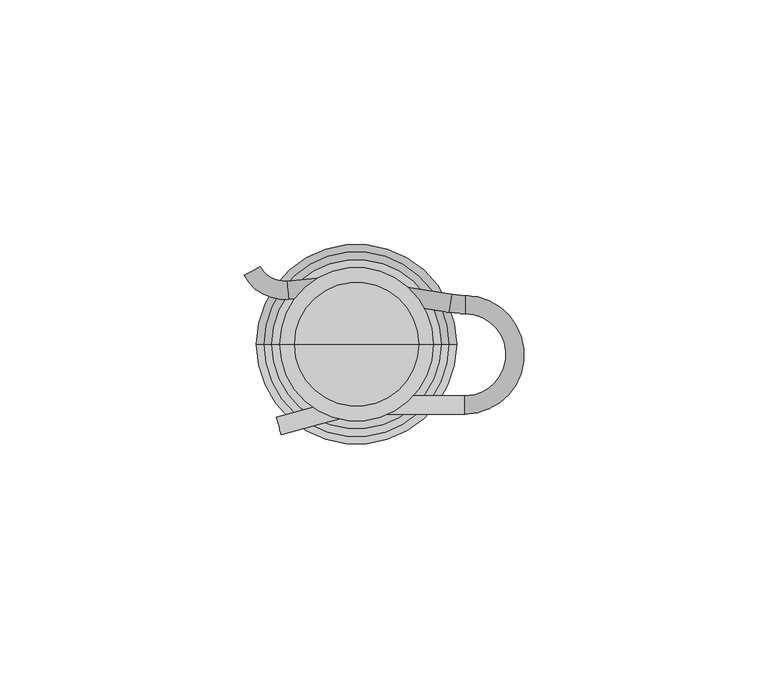
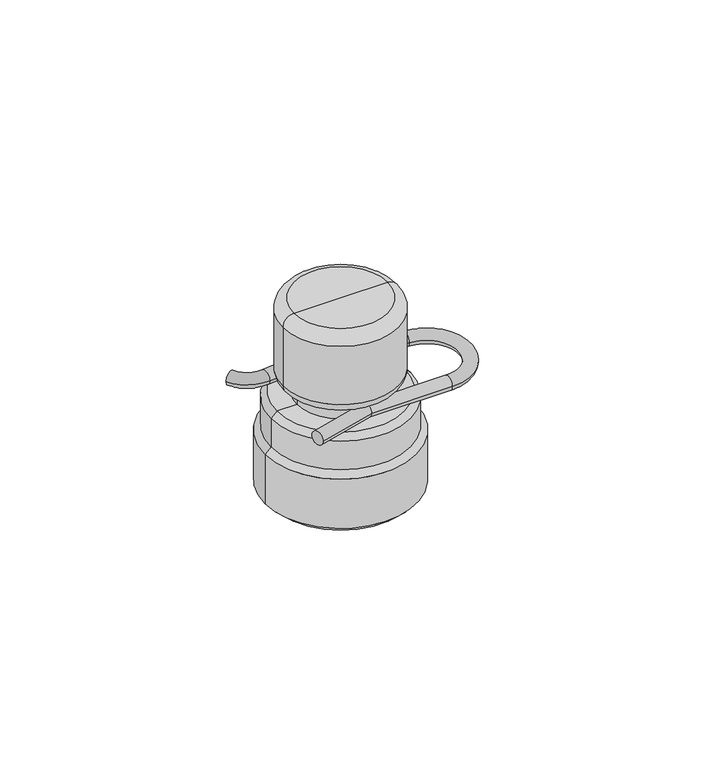
"""IFC4 building model written with IfcOpenShell, lengths in millimetres: proxy geometry."""

from ifc_helpers import new_model, si_unit, point, frame, origin, place, context, project, spatial, polyline, circle_curve, ellipse_curve, trimmed, source, transform, mapped, element, save
from ifc_brep_helpers import plane_surface, cylinder_surface, revolved_surface, advanced_brep


def specialty_equipment_4c19c3fd(model_context):
    return source(origin(), model_context, "Body", "AdvancedBrep", [
        advanced_brep(
        [(11.821039, 0.0, 19.7812336), (-11.821039, 0.0, 19.7812336), (-12.7015643, 0.0, 19.7812336), (12.7015643, 0.0, 19.7812336), (11.821039, 0.0, 37.406056), (-11.821039, 0.0, 37.406056), (0.0, 0.0, 37.406056), (12.7015643, 0.0, 42.5343499), (-12.7015643, 0.0, 42.5343499), (0.0, 0.0, 42.5343499), (15.7015643, 0.0, 39.5343499), (-15.7015643, 0.0, 39.5343499), (15.7015643, 0.0, 22.7812336), (-15.7015643, 0.0, 22.7812336)],
        [
            (0, 1, circle_curve(frame((0.0, 0.0, 19.7812336), z_axis=(0.0, 0.0, 1.0), x_axis=(-1.0, 0.0, 0.0)), 11.821039)),
            (1, 2),
            (2, 3, circle_curve(frame((0.0, 0.0, 19.7812336), z_axis=(0.0, 0.0, -1.0), x_axis=(-1.0, 0.0, 0.0)), 12.7015643)),
            (3, 0),
            (1, 0, circle_curve(frame((0.0, 0.0, 19.7812336), z_axis=(0.0, 0.0, 1.0), x_axis=(-1.0, 0.0, 0.0)), 11.821039)),
            (3, 2, circle_curve(frame((0.0, 0.0, 19.7812336), z_axis=(0.0, 0.0, -1.0), x_axis=(-1.0, 0.0, 0.0)), 12.7015643)),
            (4, 5, circle_curve(frame((0.0, 0.0, 37.406056), z_axis=(0.0, 0.0, 1.0), x_axis=(-1.0, 0.0, 0.0)), 11.821039)),
            (5, 1),
            (0, 4),
            (5, 4, circle_curve(frame((0.0, 0.0, 37.406056), z_axis=(0.0, 0.0, 1.0), x_axis=(-1.0, 0.0, 0.0)), 11.821039)),
            (6, 5),
            (4, 6),
            (7, 8, circle_curve(frame((0.0, 0.0, 42.5343499), z_axis=(0.0, 0.0, 1.0), x_axis=(-1.0, 0.0, 0.0)), 12.7015643)),
            (8, 9),
            (9, 7),
            (8, 7, circle_curve(frame((0.0, 0.0, 42.5343499), z_axis=(0.0, 0.0, 1.0), x_axis=(-1.0, 0.0, 0.0)), 12.7015643)),
            (10, 11, circle_curve(frame((0.0, 0.0, 39.5343499), z_axis=(0.0, 0.0, 1.0), x_axis=(-1.0, 0.0, 0.0)), 15.7015643)),
            (11, 8, circle_curve(frame((-12.7015643, 0.0, 39.5343499), z_axis=(0.0, 1.0, 0.0), x_axis=(1.0, 0.0, 0.0)), 3.0)),
            (7, 10, circle_curve(frame((12.7015643, 0.0, 39.5343499), z_axis=(0.0, 1.0, 0.0), x_axis=(-1.0, 0.0, 0.0)), 3.0)),
            (11, 10, circle_curve(frame((0.0, 0.0, 39.5343499), z_axis=(0.0, 0.0, 1.0), x_axis=(-1.0, 0.0, 0.0)), 15.7015643)),
            (12, 13, circle_curve(frame((0.0, 0.0, 22.7812336), z_axis=(0.0, 0.0, 1.0), x_axis=(-1.0, 0.0, 0.0)), 15.7015643)),
            (13, 11),
            (10, 12),
            (13, 12, circle_curve(frame((0.0, 0.0, 22.7812336), z_axis=(0.0, 0.0, 1.0), x_axis=(-1.0, 0.0, 0.0)), 15.7015643)),
            (2, 13, circle_curve(frame((-12.7015643, 0.0, 22.7812336), z_axis=(0.0, 1.0, 0.0), x_axis=(1.0, 0.0, 0.0)), 3.0)),
            (12, 3, circle_curve(frame((12.7015643, 0.0, 22.7812336), z_axis=(0.0, 1.0, 0.0), x_axis=(-1.0, 0.0, 0.0)), 3.0)),
        ],
        [
            plane_surface(frame((0.0, 0.0, 19.7812336), z_axis=(0.0, 0.0, -1.0), x_axis=(-1.0, 0.0, 0.0))),
            revolved_surface(polyline([(-11.821039, 0.0, 19.781233600000178), (-11.821039, 0.0, 37.40605599999981)]), (0.0, 0.0, 2611.7008137), (0.0, 0.0, -1.0)),
            plane_surface(frame((0.0, 0.0, 37.406056), z_axis=(0.0, 0.0, -1.0), x_axis=(-1.0, 0.0, 0.0))),
            plane_surface(frame((0.0, 0.0, 42.5343499), z_axis=(0.0, 0.0, 1.0), x_axis=(-1.0, 0.0, 0.0))),
            revolved_surface(trimmed(ellipse_curve(frame((-12.7015643, 0.0, 39.5343499), z_axis=(0.0, -1.0, 0.0), x_axis=(1.0, 0.0, 0.0)), 3.0, 3.0), [point((-12.7015643, 0.0, 42.5343499))], [point((-15.7015643, 0.0, 39.5343499))], True, "CARTESIAN"), (0.0, 0.0, 2611.7008137), (0.0, 0.0, -1.0)),
            cylinder_surface(frame((0.0, 0.0, 2611.7008137), z_axis=(0.0, 0.0, -1.0), x_axis=(-1.0, 0.0, 0.0)), 15.7015643),
            revolved_surface(trimmed(ellipse_curve(frame((-12.7015643, 0.0, 22.7812336), z_axis=(0.0, -1.0, 0.0), x_axis=(1.0, 0.0, 0.0)), 3.0, 3.0), [point((-15.7015643, 0.0, 22.7812336))], [point((-12.7015643, 0.0, 19.7812336))], True, "CARTESIAN"), (0.0, 0.0, 2611.7008137), (0.0, 0.0, -1.0)),
        ],
        [
            (0, [[1, 2, 3, 4]]),
            (0, [[5, -4, 6, -2]]),
            (1, [[7, 8, -1, 9]]),
            (1, [[10, -9, -5, -8]]),
            (2, [[11, -7, 12]]),
            (2, [[-12, -10, -11]]),
            (3, [[13, 14, 15]]),
            (3, [[16, -15, -14]]),
            (4, [[17, 18, -13, 19]]),
            (4, [[20, -19, -16, -18]]),
            (5, [[21, 22, -17, 23]]),
            (5, [[24, -23, -20, -22]]),
            (6, [[-3, 25, -21, 26]]),
            (6, [[-6, -26, -24, -25]]),
        ],
    ),
        advanced_brep(
        [(16.3929392, 0.0, -11.0), (-16.3929392, 0.0, -11.0), (-18.914251, 0.0, -11.0), (18.914251, 0.0, -11.0), (16.3929392, 0.0, 0.0), (-16.3929392, 0.0, 0.0), (0.0, 0.0, 0.0), (11.821039, 0.0, 37.406056), (-11.821039, 0.0, 37.406056), (0.0, 0.0, 37.406056), (11.821039, 0.0, 16.0676423), (-11.821039, 0.0, 16.0676423), (17.3315542, 0.0, 16.0676423), (-17.3315542, 0.0, 16.0676423), (18.9142509, 0.0, 14.4849455), (-18.9142509, 0.0, 14.4849455), (18.9142509, 0.0, 6.32206), (-18.9142509, 0.0, 6.32206), (20.497058, 0.0, 4.7392529), (-20.497058, 0.0, 4.7392529), (20.497058, 0.0, -9.417193), (-20.497058, 0.0, -9.417193)],
        [
            (0, 1, circle_curve(frame((0.0, 0.0, -11.0), z_axis=(0.0, 0.0, 1.0), x_axis=(-1.0, 0.0, 0.0)), 16.3929392)),
            (1, 2),
            (2, 3, circle_curve(frame((0.0, 0.0, -11.0), z_axis=(0.0, 0.0, -1.0), x_axis=(-1.0, 0.0, 0.0)), 18.914251)),
            (3, 0),
            (1, 0, circle_curve(frame((0.0, 0.0, -11.0), z_axis=(0.0, 0.0, 1.0), x_axis=(-1.0, 0.0, 0.0)), 16.3929392)),
            (3, 2, circle_curve(frame((0.0, 0.0, -11.0), z_axis=(0.0, 0.0, -1.0), x_axis=(-1.0, 0.0, 0.0)), 18.914251)),
            (4, 5, circle_curve(frame((0.0, 0.0, 0.0), z_axis=(0.0, 0.0, 1.0), x_axis=(-1.0, 0.0, 0.0)), 16.3929392)),
            (5, 1),
            (0, 4),
            (5, 4, circle_curve(frame((0.0, 0.0, 0.0), z_axis=(0.0, 0.0, 1.0), x_axis=(-1.0, 0.0, 0.0)), 16.3929392)),
            (6, 5),
            (4, 6),
            (7, 8, circle_curve(frame((0.0, 0.0, 37.406056), z_axis=(0.0, 0.0, 1.0), x_axis=(-1.0, 0.0, 0.0)), 11.821039)),
            (8, 9),
            (9, 7),
            (8, 7, circle_curve(frame((0.0, 0.0, 37.406056), z_axis=(0.0, 0.0, 1.0), x_axis=(-1.0, 0.0, 0.0)), 11.821039)),
            (10, 11, circle_curve(frame((0.0, 0.0, 16.0676423), z_axis=(0.0, 0.0, 1.0), x_axis=(-1.0, 0.0, 0.0)), 11.821039)),
            (11, 8),
            (7, 10),
            (11, 10, circle_curve(frame((0.0, 0.0, 16.0676423), z_axis=(0.0, 0.0, 1.0), x_axis=(-1.0, 0.0, 0.0)), 11.821039)),
            (12, 13, circle_curve(frame((0.0, 0.0, 16.0676423), z_axis=(0.0, 0.0, 1.0), x_axis=(-1.0, 0.0, 0.0)), 17.3315542)),
            (13, 11),
            (10, 12),
            (13, 12, circle_curve(frame((0.0, 0.0, 16.0676423), z_axis=(0.0, 0.0, 1.0), x_axis=(-1.0, 0.0, 0.0)), 17.3315542)),
            (14, 15, circle_curve(frame((0.0, 0.0, 14.4849455), z_axis=(0.0, 0.0, 1.0), x_axis=(-1.0, 0.0, 0.0)), 18.9142509)),
            (15, 13),
            (12, 14),
            (15, 14, circle_curve(frame((0.0, 0.0, 14.4849455), z_axis=(0.0, 0.0, 1.0), x_axis=(-1.0, 0.0, 0.0)), 18.9142509)),
            (16, 17, circle_curve(frame((0.0, 0.0, 6.32206), z_axis=(0.0, 0.0, 1.0), x_axis=(-1.0, 0.0, 0.0)), 18.9142509)),
            (17, 15),
            (14, 16),
            (17, 16, circle_curve(frame((0.0, 0.0, 6.32206), z_axis=(0.0, 0.0, 1.0), x_axis=(-1.0, 0.0, 0.0)), 18.9142509)),
            (18, 19, circle_curve(frame((0.0, 0.0, 4.7392529), z_axis=(0.0, 0.0, 1.0), x_axis=(-1.0, 0.0, 0.0)), 20.497058)),
            (19, 17),
            (16, 18),
            (19, 18, circle_curve(frame((0.0, 0.0, 4.7392529), z_axis=(0.0, 0.0, 1.0), x_axis=(-1.0, 0.0, 0.0)), 20.497058)),
            (20, 21, circle_curve(frame((0.0, 0.0, -9.417193), z_axis=(0.0, 0.0, 1.0), x_axis=(-1.0, 0.0, 0.0)), 20.497058)),
            (21, 19),
            (18, 20),
            (21, 20, circle_curve(frame((0.0, 0.0, -9.417193), z_axis=(0.0, 0.0, 1.0), x_axis=(-1.0, 0.0, 0.0)), 20.497058)),
            (2, 21),
            (20, 3),
        ],
        [
            plane_surface(frame((0.0, 0.0, -11.0), z_axis=(0.0, 0.0, -1.0), x_axis=(-1.0, 0.0, 0.0))),
            revolved_surface(polyline([(-16.3929392, 0.0, -11.0), (-16.3929392, 0.0, 0.0)]), (0.0, 0.0, 2611.7008137), (0.0, 0.0, -1.0)),
            plane_surface(frame((0.0, 0.0, 0.0), z_axis=(0.0, 0.0, -1.0), x_axis=(-1.0, 0.0, 0.0))),
            plane_surface(frame((0.0, 0.0, 37.406056), z_axis=(0.0, 0.0, 1.0), x_axis=(-1.0, 0.0, 0.0))),
            cylinder_surface(frame((0.0, 0.0, 2611.7008137), z_axis=(0.0, 0.0, -1.0), x_axis=(-1.0, 0.0, 0.0)), 11.821039),
            plane_surface(frame((0.0, 0.0, 16.0676423), z_axis=(0.0, 0.0, 1.0), x_axis=(-1.0, 0.0, 0.0))),
            revolved_surface(polyline([(-17.3315542, 0.0, 16.0676423), (-18.9142509, 0.0, 14.4849455)]), (0.0, 0.0, 2611.7008137), (0.0, 0.0, -1.0)),
            cylinder_surface(frame((0.0, 0.0, 2611.7008137), z_axis=(0.0, 0.0, -1.0), x_axis=(-1.0, 0.0, 0.0)), 18.9142509),
            revolved_surface(polyline([(-18.9142509, 0.0, 6.32206), (-20.497058, 0.0, 4.7392529)]), (0.0, 0.0, 2611.7008137), (0.0, 0.0, -1.0)),
            cylinder_surface(frame((0.0, 0.0, 2611.7008137), z_axis=(0.0, 0.0, -1.0), x_axis=(-1.0, 0.0, 0.0)), 20.497058),
            revolved_surface(polyline([(-20.497058, 0.0, -9.417193), (-18.914251, 0.0, -11.0)]), (0.0, 0.0, 2611.7008137), (0.0, 0.0, -1.0)),
        ],
        [
            (0, [[1, 2, 3, 4]]),
            (0, [[5, -4, 6, -2]]),
            (1, [[7, 8, -1, 9]]),
            (1, [[10, -9, -5, -8]]),
            (2, [[11, -7, 12]]),
            (2, [[-12, -10, -11]]),
            (3, [[13, 14, 15]]),
            (3, [[16, -15, -14]]),
            (4, [[17, 18, -13, 19]]),
            (4, [[20, -19, -16, -18]]),
            (5, [[21, 22, -17, 23]]),
            (5, [[24, -23, -20, -22]]),
            (6, [[25, 26, -21, 27]]),
            (6, [[28, -27, -24, -26]]),
            (7, [[29, 30, -25, 31]]),
            (7, [[32, -31, -28, -30]]),
            (8, [[33, 34, -29, 35]]),
            (8, [[36, -35, -32, -34]]),
            (9, [[37, 38, -33, 39]]),
            (9, [[40, -39, -36, -38]]),
            (10, [[-3, 41, -37, 42]]),
            (10, [[-6, -42, -40, -41]]),
        ],
    ),
        advanced_brep(
        [(-23.0124185, 14.1034293, 17.9244357), (-19.7413173, 15.8749532, 17.9244357), (-14.2594721, 12.9557553, 17.9244357), (-13.9036393, 9.2528128, 17.9244357), (-4.1613597, 10.1889934, 17.9244357), (-4.0464808, 13.9371687, 17.9244357), (18.9038669, 6.5358156, 17.9244357), (19.4858039, 10.2100161, 17.9244357), (22.2984898, 9.9755997, 17.9244357), (22.2641884, 6.2557579, 17.9244357), (22.186568, -14.2997926, 17.9244357), (22.186568, -10.5797926, 17.9244357), (-0.2531581, -10.5797926, 17.9244357), (0.2365894, -14.2997926, 17.9244357), (-16.3985244, -14.9059326, 17.9244357), (-15.4357171, -18.4991766, 17.9244357)],
        [
            (0, 1, circle_curve(frame((-21.3768679, 14.9891912, 17.9244357), z_axis=(-0.47621608164335016, 0.8793282911315057, 0.0), x_axis=(0.8793282911315057, 0.47621608164335016, 0.0)), 1.86)),
            (1, 0, circle_curve(frame((-21.3768679, 14.9891912, 17.9244357), z_axis=(-0.47621608164335016, 0.8793282911315057, 0.0), x_axis=(0.8793282911315057, 0.47621608164335016, 0.0)), 1.86)),
            (2, 1, circle_curve(frame((-14.7972873, 18.5524817, 17.9244357), z_axis=(0.0, 0.0, -1.0), x_axis=(-0.8793282911315057, -0.47621608164335016, 0.0)), 5.6225076)),
            (0, 3, circle_curve(frame((-14.7972873, 18.5524817, 17.9244357), z_axis=(0.0, 0.0, 1.0), x_axis=(-0.8793282911315057, -0.47621608164335016, 0.0)), 9.3425076)),
            (3, 2, circle_curve(frame((-14.0815557, 11.1042841, 17.9244357), z_axis=(-0.9954146453114235, -0.09565398005066433, 0.0), x_axis=(-0.09565398005066433, 0.9954146453114235, 0.0)), 1.86)),
            (2, 3, circle_curve(frame((-14.0815557, 11.1042841, 17.9244357), z_axis=(-0.9954146453114235, -0.09565398005066406, 0.0), x_axis=(-0.09565398005066406, 0.9954146453114235, 0.0)), 1.86)),
            (3, 4),
            (4, 5, ellipse_curve(frame((-4.1039203, 12.063081, 17.9244357), z_axis=(-0.9995306413970981, 0.030634896903785052, 0.0), x_axis=(-0.030634896903784924, -0.9995306413970981, 0.0)), 1.8749677, 1.86)),
            (5, 2),
            (5, 4, ellipse_curve(frame((-4.1039203, 12.063081, 17.9244357), z_axis=(-0.9995306413970981, 0.030634896903785052, 0.0), x_axis=(-0.030634896903784924, -0.9995306413970981, 0.0)), 1.8749677, 1.86)),
            (4, 6),
            (6, 7, circle_curve(frame((19.1948354, 8.3729159, 17.9244357), z_axis=(-0.9876883093124248, 0.15643466255137958, 0.0), x_axis=(0.15643466255137958, 0.9876883093124248, 0.0)), 1.86)),
            (7, 5),
            (7, 6, circle_curve(frame((19.1948354, 8.3729159, 17.9244357), z_axis=(-0.9876883093124248, 0.15643466255137958, 0.0), x_axis=(0.15643466255137958, 0.9876883093124248, 0.0)), 1.86)),
            (8, 7, circle_curve(frame((22.4746638, 29.0809107, 17.9244357), z_axis=(0.0, 0.0, -1.0), x_axis=(-0.15643466255138525, -0.9876883093124238, 0.0)), 19.1061232)),
            (6, 9, circle_curve(frame((22.4746638, 29.0809107, 17.9244357), z_axis=(0.0, 0.0, 1.0), x_axis=(-0.15643466255138525, -0.9876883093124238, 0.0)), 22.8261232)),
            (9, 8, circle_curve(frame((22.2813391, 8.1156788, 17.9244357), z_axis=(-0.9999574874066872, 0.009220812290943875, 0.0), x_axis=(0.009220812290943875, 0.9999574874066872, 0.0)), 1.86)),
            (8, 9, circle_curve(frame((22.2813391, 8.1156788, 17.9244357), z_axis=(-0.9999574874066872, 0.009220812290943625, 0.0), x_axis=(0.009220812290943625, 0.9999574874066872, 0.0)), 1.86)),
            (10, 8, circle_curve(frame((22.186568, -2.1618385, 17.9244357), z_axis=(0.0, 0.0, 1.0), x_axis=(0.009220812290944493, 0.9999574874066873, 0.0)), 12.1379542)),
            (9, 11, circle_curve(frame((22.186568, -2.1618385, 17.9244357), z_axis=(0.0, 0.0, -1.0), x_axis=(0.009220812290944493, 0.9999574874066873, 0.0)), 8.4179542)),
            (11, 10, circle_curve(frame((22.186568, -12.4397926, 17.9244357), z_axis=(1.0000000000000002, 0.0, 0.0), x_axis=(0.0, -1.0000000000000002, 0.0)), 1.86)),
            (10, 11, circle_curve(frame((22.186568, -12.4397926, 17.9244357), z_axis=(1.0000000000000002, 0.0, 0.0), x_axis=(0.0, -1.0000000000000002, 0.0)), 1.86)),
            (11, 12),
            (12, 13, ellipse_curve(frame((-0.0082843, -12.4397926, 17.9244357), z_axis=(0.9914448533869088, 0.13052625288657743, 0.0), x_axis=(0.13052625288657857, -0.9914448533869085, 0.0)), 1.8760499, 1.86)),
            (13, 10),
            (13, 12, ellipse_curve(frame((-0.0082843, -12.4397926, 17.9244357), z_axis=(0.9914448533869088, 0.13052625288657743, 0.0), x_axis=(0.13052625288657857, -0.9914448533869085, 0.0)), 1.8760499, 1.86)),
            (14, 15, circle_curve(frame((-15.9171208, -16.7025546, 17.9244357), z_axis=(-0.9659257946147785, -0.2588191633125509, 0.0), x_axis=(0.2588191633125509, -0.9659257946147785, 0.0)), 1.86)),
            (15, 14, circle_curve(frame((-15.9171208, -16.7025546, 17.9244357), z_axis=(-0.9659257946147785, -0.2588191633125509, 0.0), x_axis=(0.2588191633125509, -0.9659257946147785, 0.0)), 1.86)),
            (12, 14),
            (15, 13),
        ],
        [
            plane_surface(frame((-21.3768679, 14.9891912, 17.9244357), z_axis=(-0.47621608164335016, 0.8793282911315057, 0.0), x_axis=(0.0, 0.0, 1.0))),
            revolved_surface(trimmed(ellipse_curve(frame((-21.3768679, 14.9891912, 17.9244357), z_axis=(-0.47621608164335016, 0.8793282911315057, 0.0), x_axis=(0.8793282911315057, 0.47621608164335016, 0.0)), 1.86, 1.86), [point((-23.0124185, 14.1034293, 17.9244357))], [point((-19.7413173, 15.8749532, 17.9244357))], True, "CARTESIAN"), (-14.7972873, 18.5524817, 17.9244357), (0.0, 0.0, 1.0)),
            revolved_surface(trimmed(ellipse_curve(frame((-21.3768679, 14.9891912, 17.9244357), z_axis=(-0.47621608164335016, 0.8793282911315057, 0.0), x_axis=(0.8793282911315057, 0.47621608164335016, 0.0)), 1.86, 1.86), [point((-19.7413173, 15.8749532, 17.9244357))], [point((-23.0124185, 14.1034293, 17.9244357))], True, "CARTESIAN"), (-14.7972873, 18.5524817, 17.9244357), (0.0, 0.0, 1.0)),
            cylinder_surface(frame((-14.0815557, 11.1042841, 17.9244357), z_axis=(-0.9954146453114237, -0.0956539800506645, 0.0), x_axis=(-0.0956539800506645, 0.9954146453114237, 0.0)), 1.86),
            cylinder_surface(frame((-4.1039203, 12.063081, 17.9244357), z_axis=(-0.9876883093124248, 0.15643466255137958, 0.0), x_axis=(0.15643466255137958, 0.9876883093124248, 0.0)), 1.86),
            revolved_surface(trimmed(ellipse_curve(frame((19.1948354, 8.3729159, 17.9244357), z_axis=(-0.9876883093124238, 0.1564346625513854, 0.0), x_axis=(0.1564346625513854, 0.9876883093124238, 0.0)), 1.86, 1.86), [point((18.9038669, 6.5358156, 17.9244357))], [point((19.4858039, 10.2100161, 17.9244357))], True, "CARTESIAN"), (22.4746638, 29.0809107, 17.9244357), (0.0, 0.0, 1.0)),
            revolved_surface(trimmed(ellipse_curve(frame((19.1948354, 8.3729159, 17.9244357), z_axis=(-0.9876883093124238, 0.1564346625513854, 0.0), x_axis=(0.1564346625513854, 0.9876883093124238, 0.0)), 1.86, 1.86), [point((19.4858039, 10.2100161, 17.9244357))], [point((18.9038669, 6.5358156, 17.9244357))], True, "CARTESIAN"), (22.4746638, 29.0809107, 17.9244357), (0.0, 0.0, 1.0)),
            revolved_surface(trimmed(ellipse_curve(frame((22.2813391, 8.1156788, 17.9244357), z_axis=(-0.9999574874066873, 0.009220812290944654, 0.0), x_axis=(0.009220812290944654, 0.9999574874066873, 0.0)), 1.86, 1.86), [point((22.2641884, 6.2557579, 17.9244357))], [point((22.2984898, 9.9755997, 17.9244357))], True, "CARTESIAN"), (22.186568, -2.1618385, 17.9244357), (0.0, 0.0, -1.0)),
            revolved_surface(trimmed(ellipse_curve(frame((22.2813391, 8.1156788, 17.9244357), z_axis=(-0.9999574874066873, 0.009220812290944654, 0.0), x_axis=(0.009220812290944654, 0.9999574874066873, 0.0)), 1.86, 1.86), [point((22.2984898, 9.9755997, 17.9244357))], [point((22.2641884, 6.2557579, 17.9244357))], True, "CARTESIAN"), (22.186568, -2.1618385, 17.9244357), (0.0, 0.0, -1.0)),
            cylinder_surface(frame((22.186568, -12.4397926, 17.9244357), z_axis=(1.0, 0.0, 0.0), x_axis=(0.0, -1.0, 0.0)), 1.86),
            plane_surface(frame((-15.9171208, -16.7025546, 17.9244357), z_axis=(-0.9659257946147785, -0.258819163312551, 0.0), x_axis=(0.0, 0.0, 1.0))),
            cylinder_surface(frame((-0.0082843, -12.4397926, 17.9244357), z_axis=(0.9659257946147785, 0.2588191633125509, 0.0), x_axis=(0.2588191633125509, -0.9659257946147785, 0.0)), 1.86),
        ],
        [
            (0, [[1, 2]]),
            (1, [[3, -1, 4, 5]]),
            (2, [[-4, -2, -3, 6]]),
            (3, [[-5, 7, 8, 9]]),
            (3, [[-6, -9, 10, -7]]),
            (4, [[-8, 11, 12, 13]]),
            (4, [[-10, -13, 14, -11]]),
            (5, [[15, -12, 16, 17]]),
            (6, [[-16, -14, -15, 18]]),
            (7, [[19, -17, 20, 21]]),
            (8, [[-20, -18, -19, 22]]),
            (9, [[-21, 23, 24, 25]]),
            (9, [[-22, -25, 26, -23]]),
            (10, [[27, 28]]),
            (11, [[-24, 29, -28, 30]]),
            (11, [[-26, -30, -27, -29]]),
        ],
    ),
    ])


if __name__ == "__main__":
    model = new_model("IFC4")
    model_context = context("Model", 3, world=origin())
    ifc_project = project(units=[si_unit("LENGTHUNIT", "METRE", prefix="MILLI")], contexts=[model_context])
    site = spatial("IfcSite", under=ifc_project)
    building = spatial("IfcBuilding", under=site)
    placement = place(None, origin())
    specialty_equipment_shape = specialty_equipment_4c19c3fd(model_context)
    element("IfcBuildingElementProxy", 1, Name="Specialty Equipment", at=placement, inside=building, context=model_context, shape_type="MappedRepresentation", body=[
        mapped(specialty_equipment_shape, transform((0.0, 0.0, 0.0), x_axis=(1.0, 0.0, 0.0), y_axis=(0.0, 1.0, 0.0), z_axis=(0.0, 0.0, 1.0))),
    ])
    save(model, "model.ifc")
